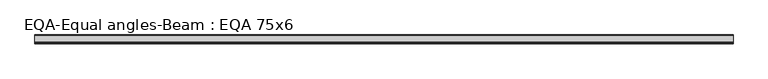
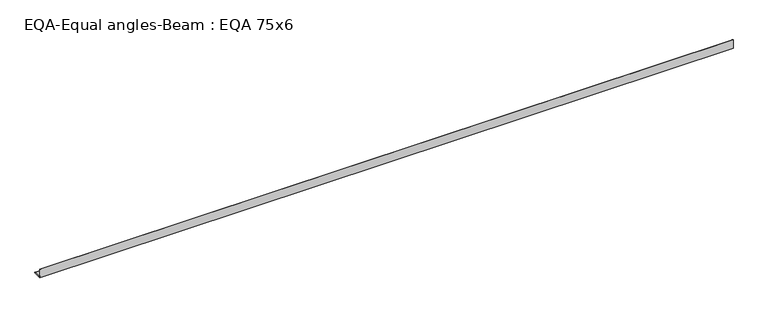
"""IFC4 building model written with IfcOpenShell, lengths in millimetres: beam geometry, EQA-Equal angles-Beam : EQA 75x6."""

from ifc_helpers import new_model, si_unit, point, frame, frame_2d, origin, place, context, project, spatial, polyline, circle_curve, trimmed, segment, composite_curve, outline, extrude, source, transform, mapped, element, save


def eqa_equal_angles_beam_eqa_75x6_c19718b0(model_context):
    return source(origin(), model_context, "Body", "SweptSolid", [
        extrude(outline(composite_curve([segment(polyline([(-20.5, -20.5), (-20.5, 54.5), (-19.0, 54.5)]), True, "CONTINUOUS"), segment(trimmed(circle_curve(frame_2d((-19.0, 50.0)), 4.5), [point((-19.0, 54.5))], [point((-14.5, 50.0))], False, "CARTESIAN"), True, "CONTINUOUS"), segment(polyline([(-14.5, 50.0), (-14.5, -5.5)]), True, "CONTINUOUS"), segment(trimmed(circle_curve(frame_2d((-5.5, -5.5)), 9.0), [point((-14.5, -5.5))], [point((-5.5, -14.5))], True, "CARTESIAN"), True, "CONTINUOUS"), segment(polyline([(-5.5, -14.5), (50.0, -14.5)]), True, "CONTINUOUS"), segment(trimmed(circle_curve(frame_2d((50.0, -19.0)), 4.5), [point((50.0, -14.5))], [point((54.5, -19.0))], False, "CARTESIAN"), True, "CONTINUOUS"), segment(polyline([(54.5, -19.0), (54.5, -20.5), (-20.5, -20.5)]), True, "CONTINUOUS")], self_intersect=False)), frame((-3057.3403911, 0.0, 0.0), z_axis=(1.0, 0.0, 0.0), x_axis=(0.0, 1.0, 0.0)), (0.0, 0.0, 1.0), 6013.4297893),
    ])


if __name__ == "__main__":
    model = new_model("IFC4")
    model_context = context("Model", 3, world=origin())
    ifc_project = project(units=[si_unit("LENGTHUNIT", "METRE", prefix="MILLI")], contexts=[model_context])
    site = spatial("IfcSite", under=ifc_project)
    building = spatial("IfcBuilding", under=site)
    placement = place(None, origin())
    eqa_equal_angles_beam_eqa_75x6_shape = eqa_equal_angles_beam_eqa_75x6_c19718b0(model_context)
    element("IfcBeam", 1, ObjectType="EQA-Equal angles-Beam : EQA 75x6", at=placement, inside=building, context=model_context, shape_type="MappedRepresentation", body=[
        mapped(eqa_equal_angles_beam_eqa_75x6_shape, transform((0.0, 0.0, 0.0), x_axis=(1.0, 0.0, 0.0), y_axis=(0.0, 1.0, 0.0), z_axis=(0.0, 0.0, 1.0))),
    ])
    save(model, "model.ifc")
